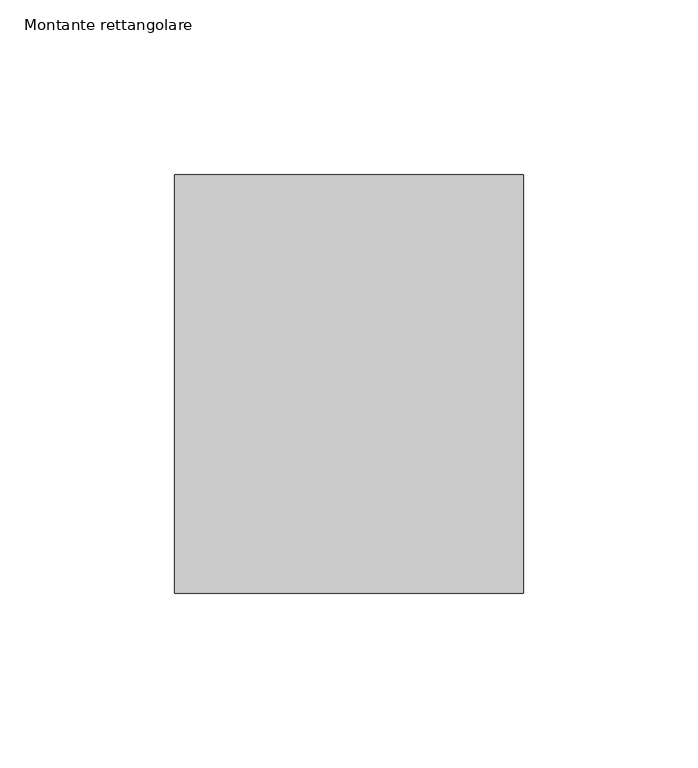
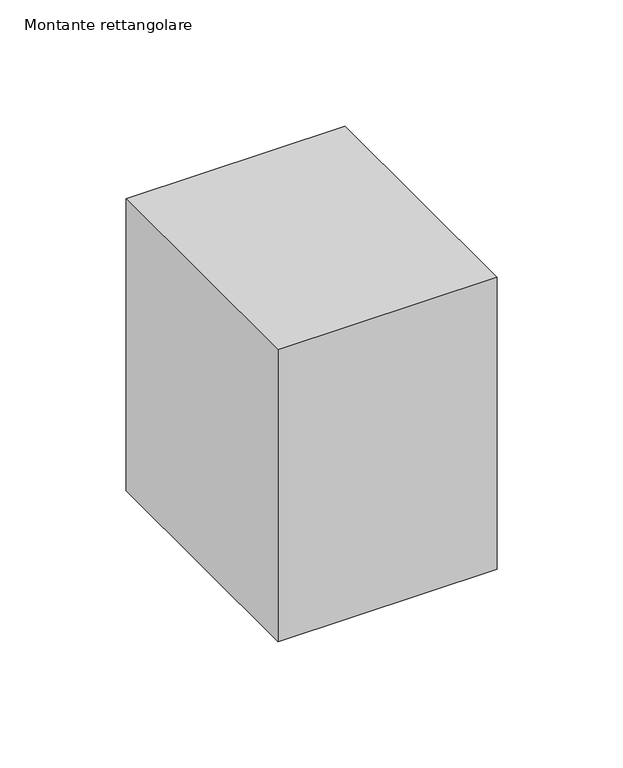
"""IFC4 building model written with IfcOpenShell, lengths in millimetres: member geometry, Montante rettangolare."""

from ifc_helpers import new_model, si_unit, frame, origin, place, context, project, spatial, polyline, outline, extrude, source, transform, mapped, element, save


def montante_rettangolare_4305eeb2(model_context):
    return source(origin(), model_context, "Body", "SweptSolid", [
        extrude(outline(polyline([(0.0, 60.0), (0.0, -60.0), (-100.0, -60.0), (-100.0, 60.0), (0.0, 60.0)])), frame((0.0, 0.0, -140.9954076), z_axis=(0.0, 0.0, 1.0), x_axis=(1.0, 0.0, 0.0)), (0.0, 0.0, 1.0), 140.9954076),
    ])


if __name__ == "__main__":
    model = new_model("IFC4")
    model_context = context("Model", 3, world=origin())
    ifc_project = project(units=[si_unit("LENGTHUNIT", "METRE", prefix="MILLI")], contexts=[model_context])
    site = spatial("IfcSite", under=ifc_project)
    building = spatial("IfcBuilding", under=site)
    placement = place(None, origin())
    montante_rettangolare_shape = montante_rettangolare_4305eeb2(model_context)
    element("IfcMember", 1, ObjectType="Montante rettangolare", at=placement, inside=building, context=model_context, shape_type="MappedRepresentation", body=[
        mapped(montante_rettangolare_shape, transform((0.0, 0.0, 0.0), x_axis=(1.0, 0.0, 0.0), y_axis=(0.0, 1.0, 0.0), z_axis=(0.0, 0.0, 1.0))),
    ])
    save(model, "model.ifc")
